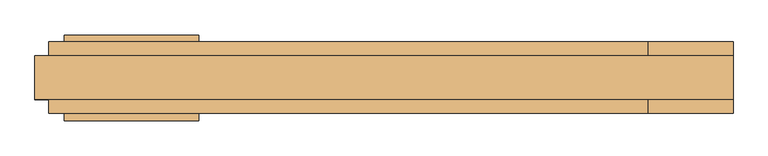
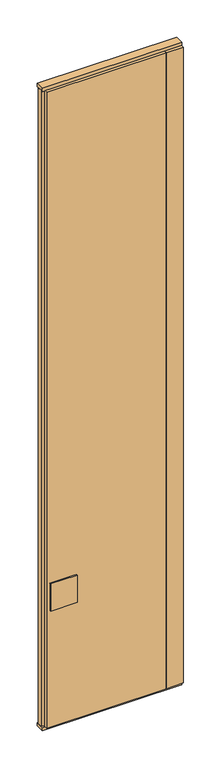
"""IFC4 building model written with IfcOpenShell, lengths in millimetres: door geometry."""

from ifc_helpers import new_model, si_unit, frame, origin, origin_with_axes, place, context, project, spatial, polyline, outline, extrude, source, transform, mapped, element, save


def door_c48db0b9(model_context):
    return source(origin(), model_context, "Body", "SweptSolid", [
        extrude(outline(polyline([(387.5, 52.5), (387.5, 23.0), (407.5, 17.6410162), (407.5, -17.6410162), (387.5, -23.0), (387.5, -52.5), (-492.5, -52.5), (-492.5, -23.0), (-512.5, -17.6410162), (-512.5, 17.6410162), (-492.5, 23.0), (-492.5, 52.5), (387.5, 52.5)])), frame((0.0, 0.0, 25.0), z_axis=(0.0, 0.0, 1.0), x_axis=(1.0, 0.0, 0.0)), (0.0, 0.0, 1.0), 4950.0),
        extrude(outline(polyline([(-272.2719698, -62.5), (-469.2719698, -62.5), (-469.2719698, -52.5), (-272.2719698, -52.5), (-272.2719698, -62.5)])), frame((0.0, 0.0, 934.0), z_axis=(0.0, 0.0, 1.0), x_axis=(1.0, 0.0, 0.0)), (0.0, 0.0, 1.0), 212.0),
        extrude(outline(polyline([(-272.2719698, 52.5), (-469.2719698, 52.5), (-469.2719698, 62.5), (-272.2719698, 62.5), (-272.2719698, 52.5)])), frame((0.0, 0.0, 934.0), z_axis=(0.0, 0.0, 1.0), x_axis=(1.0, 0.0, 0.0)), (0.0, 0.0, 1.0), 212.0),
        extrude(outline(polyline([(387.5, -52.5), (387.5, -23.0), (407.5, -17.6410162), (407.5, 17.6410162), (387.5, 23.0), (387.5, 52.5), (512.5, 52.5), (512.5, -52.5), (387.5, -52.5)])), frame((0.0, 0.0, 25.0), z_axis=(0.0, 0.0, 1.0), x_axis=(1.0, 0.0, 0.0)), (0.0, 0.0, 1.0), 4950.0),
        extrude(outline(polyline([(512.5, 32.0), (512.5, -32.0), (-512.5, -32.0), (-512.5, 32.0), (512.5, 32.0)])), origin_with_axes(), (0.0, 0.0, 1.0), 25.0),
        extrude(outline(polyline([(512.5, 32.0), (512.5, -32.0), (-512.5, -32.0), (-512.5, 32.0), (512.5, 32.0)])), frame((0.0, 0.0, 4975.0), z_axis=(0.0, 0.0, 1.0), x_axis=(1.0, 0.0, 0.0)), (0.0, 0.0, 1.0), 25.0),
    ])


if __name__ == "__main__":
    model = new_model("IFC4")
    model_context = context("Model", 3, world=origin())
    ifc_project = project(units=[si_unit("LENGTHUNIT", "METRE", prefix="MILLI")], contexts=[model_context])
    site = spatial("IfcSite", under=ifc_project)
    building = spatial("IfcBuilding", under=site)
    placement = place(None, origin())
    door_shape = door_c48db0b9(model_context)
    element("IfcDoor", 1, at=placement, inside=building, context=model_context, shape_type="MappedRepresentation", body=[
        mapped(door_shape, transform((0.0, 0.0, 0.0), x_axis=(1.0, 0.0, 0.0), y_axis=(0.0, 1.0, 0.0), z_axis=(0.0, 0.0, 1.0))),
    ])
    save(model, "model.ifc")
